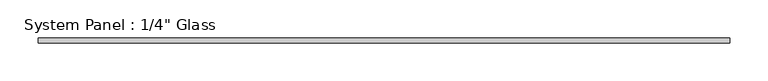
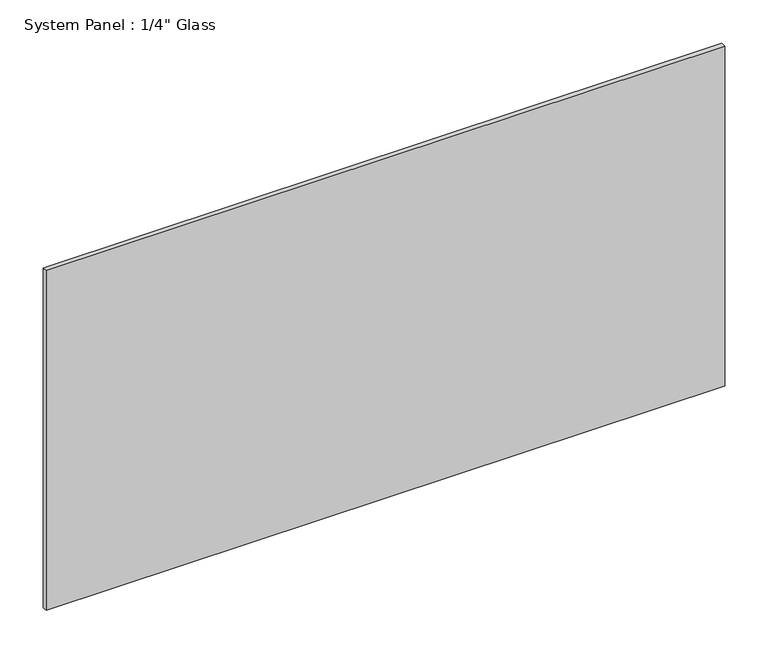
"""IFC4 building model written with IfcOpenShell, lengths in millimetres: plate geometry."""

import ifcopenshell
import ifcopenshell.guid

model = None  # the IFC model being written
_history = None  # IfcOwnerHistory: only IFC2X3 demands one
_inside = {}  # id of a spatial element -> (the spatial element, [elements in it])
_under = {}  # id of a project, library or spatial element -> (it, [spatial elements below it])
_declared = {}  # id of a project -> (the project, [libraries it declares])
_typed = {}  # id of a type object -> (the type object, [elements of that type])
_made_of = {}  # id of a material, layer set ... -> (it, [elements and type objects made of it])


def new_model(schema):
    """Start an empty IFC model of exactly this schema.

    Asked for "IFC4X3", IfcOpenShell would pick the latest addendum, in which some entities
    have other attributes; the version numbers below select the first issue.
    IFC2X3 requires an IfcOwnerHistory on every rooted entity: one is made here for all.
    """
    global model, _history
    if schema == "IFC4X3":
        model = ifcopenshell.file(schema_version=(4, 3, 0, 0))
    else:
        model = ifcopenshell.file(schema=schema)
    _inside.clear()
    _under.clear()
    _declared.clear()
    _typed.clear()
    _made_of.clear()
    _history = None
    if model.schema == "IFC2X3":
        org = make("IfcOrganization", Name="unknown")
        user = make(
            "IfcPersonAndOrganization",
            ThePerson=make("IfcPerson", FamilyName="unknown"),
            TheOrganization=org,
        )
        app = make(
            "IfcApplication",
            ApplicationDeveloper=org,
            Version="unknown",
            ApplicationFullName="unknown",
            ApplicationIdentifier="unknown",
        )
        _history = make(
            "IfcOwnerHistory",
            OwningUser=user,
            OwningApplication=app,
            ChangeAction="ADDED",
            CreationDate=0,
        )
    return model


def make(cls, **values):
    """One entity of the class cls with the attributes given. An attribute that is None is left unset."""
    return model.create_entity(
        cls, **{name: value for name, value in values.items() if value is not None}
    )


def rooted(cls, **values):
    """An entity with a GlobalId (a new one), such as an element, a storey or a relation."""
    return make(cls, GlobalId=ifcopenshell.guid.new(), OwnerHistory=_history, **values)


def si_unit(unit_type, name, prefix=None):
    """IfcSIUnit, for example si_unit("LENGTHUNIT", "METRE", prefix="MILLI")."""
    return make("IfcSIUnit", UnitType=unit_type, Prefix=prefix, Name=name)


def assignment(units):
    """IfcUnitAssignment: the units of a project."""
    return None if units is None else make("IfcUnitAssignment", Units=units)


def point(xyz):
    """IfcCartesianPoint."""
    return None if xyz is None else make("IfcCartesianPoint", Coordinates=xyz)


def direction(xyz):
    """IfcDirection."""
    return None if xyz is None else make("IfcDirection", DirectionRatios=xyz)


def frame(location, z_axis=None, x_axis=None):
    """IfcAxis2Placement3D, a coordinate frame: its origin and axes. An axis left out is left unset."""
    return make(
        "IfcAxis2Placement3D",
        Location=point(location),
        Axis=direction(z_axis),
        RefDirection=direction(x_axis),
    )


def origin():
    """The frame at (0, 0, 0) with its axes left unset."""
    return frame((0.0, 0.0, 0.0))


def origin_with_axes():
    """The frame at (0, 0, 0) with the z axis (0, 0, 1) and the x axis (1, 0, 0) written out."""
    return frame((0.0, 0.0, 0.0), z_axis=(0.0, 0.0, 1.0), x_axis=(1.0, 0.0, 0.0))


def place(relative_to, where):
    """IfcLocalPlacement: puts the frame where relative to a parent placement (None: the world)."""
    return make(
        "IfcLocalPlacement", PlacementRelTo=relative_to, RelativePlacement=where
    )


def context(
    kind, dimensions, precision=None, world=None, true_north=None, identifier=None
):
    """IfcGeometricRepresentationContext, for example the 3D "Model" context."""
    return make(
        "IfcGeometricRepresentationContext",
        ContextIdentifier=identifier,
        ContextType=kind,
        CoordinateSpaceDimension=dimensions,
        Precision=precision,
        WorldCoordinateSystem=world,
        TrueNorth=true_north,
    )


def project(units=None, contexts=None):
    """IfcProject with its units and contexts."""
    return rooted(
        "IfcProject",
        Name="project",
        RepresentationContexts=contexts,
        UnitsInContext=assignment(units),
    )


def spatial(cls, under=None, at=None, **own):
    """A site, building, storey or space (cls), placed at a placement, below another one or the project."""
    s = rooted(cls, ObjectPlacement=at, **own)
    if under is not None:
        _under.setdefault(under.id(), (under, []))[1].append(s)
    return s


def polyline(points):
    """IfcPolyline through the points."""
    return make("IfcPolyline", Points=[point(p) for p in points])


def outline(outer, holes=None, kind="AREA"):
    """IfcArbitraryClosedProfileDef: a profile drawn as a closed curve; with holes, ...WithVoids."""
    if holes is None:
        return make("IfcArbitraryClosedProfileDef", ProfileType=kind, OuterCurve=outer)
    return make(
        "IfcArbitraryProfileDefWithVoids",
        ProfileType=kind,
        OuterCurve=outer,
        InnerCurves=holes,
    )


def extrude(swept, where, along, depth):
    """IfcExtrudedAreaSolid: the profile swept, set in the frame where, extruded along a direction by depth."""
    return make(
        "IfcExtrudedAreaSolid",
        SweptArea=swept,
        Position=where,
        ExtrudedDirection=direction(along),
        Depth=depth,
    )


def shape(context_of_items, identifier, shape_type, items):
    """IfcShapeRepresentation: the items that make up one representation, for example the "Body"."""
    return make(
        "IfcShapeRepresentation",
        ContextOfItems=context_of_items,
        RepresentationIdentifier=identifier,
        RepresentationType=shape_type,
        Items=items,
    )


def source(mapping_origin, context_of_items, identifier, shape_type, items):
    """IfcRepresentationMap: a shape defined once, which mapped items show again and again."""
    return make(
        "IfcRepresentationMap",
        MappingOrigin=mapping_origin,
        MappedRepresentation=shape(context_of_items, identifier, shape_type, items),
    )


def transform(
    local_origin,
    x_axis=None,
    y_axis=None,
    z_axis=None,
    scale=None,
    scale2=None,
    scale3=None,
    uniform=True,
):
    """IfcCartesianTransformationOperator3D, or its non-uniform kind. x_axis, y_axis, z_axis: its Axis1, 2, 3."""
    if uniform:
        return make(
            "IfcCartesianTransformationOperator3D",
            Axis1=direction(x_axis),
            Axis2=direction(y_axis),
            LocalOrigin=point(local_origin),
            Scale=scale,
            Axis3=direction(z_axis),
        )
    return make(
        "IfcCartesianTransformationOperator3DnonUniform",
        Axis1=direction(x_axis),
        Axis2=direction(y_axis),
        LocalOrigin=point(local_origin),
        Scale=scale,
        Axis3=direction(z_axis),
        Scale2=scale2,
        Scale3=scale3,
    )


def mapped(mapping_source, mapping_target):
    """IfcMappedItem: shows the shape of a source again, moved by a transform."""
    return make(
        "IfcMappedItem", MappingSource=mapping_source, MappingTarget=mapping_target
    )


def made_of(thing, what):
    """Note that an element or type object is made of a material, layer set ...; save() writes the relation."""
    if what is not None:
        _made_of.setdefault(what.id(), (what, []))[1].append(thing)
    return thing


def element(
    cls,
    number,
    at=None,
    inside=None,
    cuts=None,
    type_object=None,
    material=None,
    context=None,
    identifier="Body",
    shape_type=None,
    held_by="IfcProductDefinitionShape",
    body=None,
    shapes=None,
    **own,
):
    """One element of the class cls, such as IfcWall. Its Tag is "e" and its number.

    at: its placement. inside: the storey or other place that contains it. cuts: it is an
    opening in that element (IfcRelVoidsElement). A single representation is given by context,
    identifier, shape_type and body (its items); several are given by shapes. held_by: the class
    of the entity that holds the representations. save() writes the other relations.
    """
    e = rooted(cls, Tag="e%d" % number, ObjectPlacement=at, **own)
    if body is not None:
        shapes = [shape(context, identifier, shape_type, body)]
    if shapes is not None:
        e.Representation = make(held_by, Representations=shapes)
    if inside is not None:
        _inside.setdefault(inside.id(), (inside, []))[1].append(e)
    if cuts is not None:
        rooted(
            "IfcRelVoidsElement", RelatingBuildingElement=cuts, RelatedOpeningElement=e
        )
    if type_object is not None:
        _typed.setdefault(type_object.id(), (type_object, []))[1].append(e)
    return made_of(e, material)


def aggregate(whole, parts):
    """IfcRelAggregates: a whole, such as a stair, and the parts it consists of."""
    return rooted("IfcRelAggregates", RelatingObject=whole, RelatedObjects=parts)


def save(model, path):
    """Write the relations noted so far, then the file.

    IfcRelAggregates (storeys below a building ...), IfcRelContainedInSpatialStructure (elements
    in a storey), IfcRelDefinesByType, IfcRelAssociatesMaterial and IfcRelDeclares: one each for
    every whole, place, type object, material and project.
    """
    for whole, parts in _under.values():
        aggregate(whole, parts)
    for where, things in _inside.values():
        rooted(
            "IfcRelContainedInSpatialStructure",
            RelatedElements=things,
            RelatingStructure=where,
        )
    for kind, things in _typed.values():
        rooted("IfcRelDefinesByType", RelatedObjects=things, RelatingType=kind)
    for what, things in _made_of.values():
        rooted("IfcRelAssociatesMaterial", RelatedObjects=things, RelatingMaterial=what)
    for by, libraries in _declared.values():
        rooted("IfcRelDeclares", RelatingContext=by, RelatedDefinitions=libraries)
    model.write(path)


def plate_20b40ab1(model_context):
    return source(origin(), model_context, "Body", "SweptSolid", [
        extrude(outline(polyline([(452.4375, -3.175), (-452.4375, -3.175), (-452.4375, 3.175), (452.4375, 3.175), (452.4375, -3.175)])), origin_with_axes(), (0.0, 0.0, 1.0), 479.425),
    ])


if __name__ == "__main__":
    model = new_model("IFC4")
    model_context = context("Model", 3, world=origin())
    ifc_project = project(units=[si_unit("LENGTHUNIT", "METRE", prefix="MILLI")], contexts=[model_context])
    site = spatial("IfcSite", under=ifc_project)
    building = spatial("IfcBuilding", under=site)
    placement = place(None, origin())
    plate_shape = plate_20b40ab1(model_context)
    element("IfcPlate", 1, ObjectType="System Panel : 1/4\" Glass", at=placement, inside=building, context=model_context, shape_type="MappedRepresentation", body=[
        mapped(plate_shape, transform((0.0, 0.0, 0.0), x_axis=(1.0, 0.0, 0.0), y_axis=(0.0, 1.0, 0.0), z_axis=(0.0, 0.0, 1.0))),
    ])
    save(model, "model.ifc")
